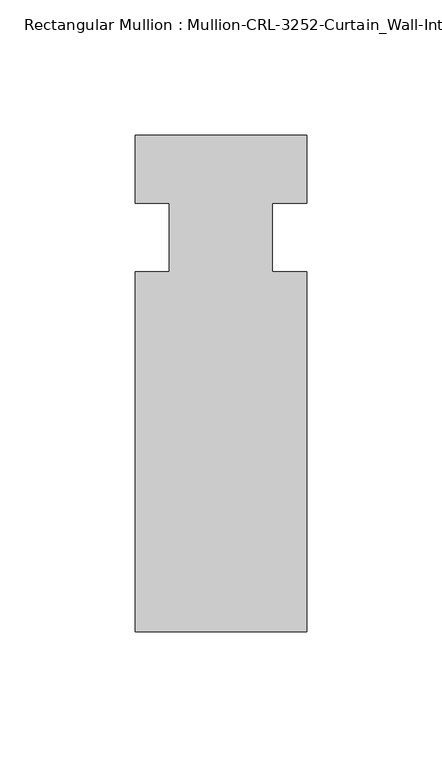
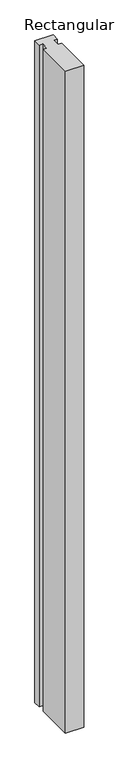
"""IFC4 building model written with IfcOpenShell, lengths in millimetres: member geometry, Rectangular Mullion : Mullion-CRL-3252-Curtain_Wall-Intermediate_Vertical."""

from ifc_helpers import new_model, si_unit, frame, origin, place, context, project, spatial, polyline, outline, extrude, source, transform, mapped, element, save


def rectangular_mullion_mullion_crl_3252_curtain_wall_20840ba2(model_context):
    return source(origin(), model_context, "Body", "SweptSolid", [
        extrude(outline(polyline([(31.7997793, -146.0054758), (-31.7000602, -146.0054758), (-31.7000602, -12.7), (-19.008026, -12.7), (-19.008026, 12.7), (-31.7000602, 12.7), (-31.7000602, 37.8626457), (31.7997793, 37.8626457), (31.7997793, 12.7), (19.0940404, 12.7), (19.0940404, -12.7), (31.7997793, -12.7), (31.7997793, -146.0054758)])), frame((0.0, 0.0, -2438.1023438), z_axis=(0.0, 0.0, 1.0), x_axis=(1.0, 0.0, 0.0)), (0.0, 0.0, 1.0), 2438.1023438),
    ])


if __name__ == "__main__":
    model = new_model("IFC4")
    model_context = context("Model", 3, world=origin())
    ifc_project = project(units=[si_unit("LENGTHUNIT", "METRE", prefix="MILLI")], contexts=[model_context])
    site = spatial("IfcSite", under=ifc_project)
    building = spatial("IfcBuilding", under=site)
    placement = place(None, origin())
    rectangular_mullion_mullion_crl_3252_curtain_wall_shape = rectangular_mullion_mullion_crl_3252_curtain_wall_20840ba2(model_context)
    element("IfcMember", 1, ObjectType="Rectangular Mullion : Mullion-CRL-3252-Curtain_Wall-Intermediate_Vertical", at=placement, inside=building, context=model_context, shape_type="MappedRepresentation", body=[
        mapped(rectangular_mullion_mullion_crl_3252_curtain_wall_shape, transform((0.0, 0.0, 0.0), x_axis=(1.0, 0.0, 0.0), y_axis=(0.0, 1.0, 0.0), z_axis=(0.0, 0.0, 1.0))),
    ])
    save(model, "model.ifc")
